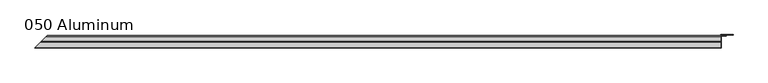
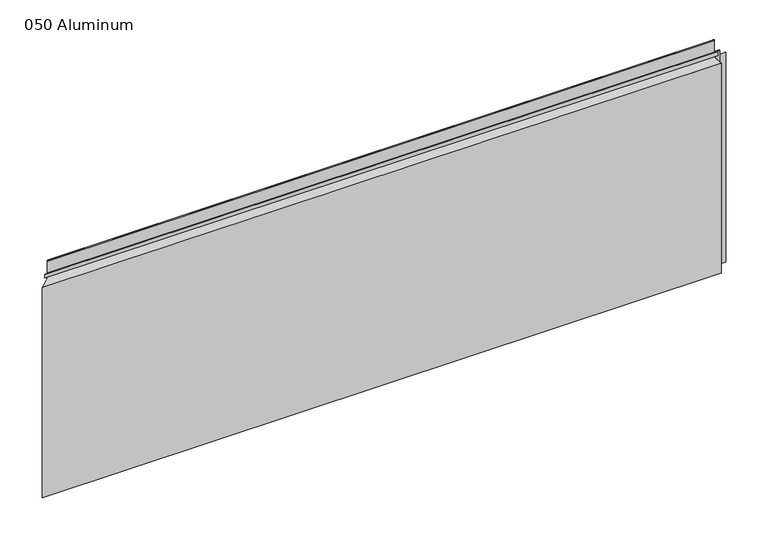
"""IFC4 building model written with IfcOpenShell, lengths in millimetres: plate geometry, 050 Aluminum."""

from ifc_helpers import new_model, si_unit, frame, origin, origin_with_axes, place, context, project, spatial, polyline, circle_curve, ellipse_curve, outline, extrude, source, transform, mapped, element, save
from ifc_brep_helpers import plane_surface, cylinder_surface, revolved_surface, advanced_brep


def plate_050_aluminum_70eb3398(model_context):
    return source(origin(), model_context, "Body", "SolidModel", [
        advanced_brep(
        [(905.5299998, -16.6765477, 13.1458337), (905.5299998, -23.0264743, 13.124237), (905.5299998, -23.0264743, 1.2693678), (905.5299998, -34.7980002, 1.2693678), (905.5299998, -34.7980002, 0.0), (905.5299998, -21.7564743, 0.0), (905.5299998, -21.7564743, 13.124237), (905.5299998, -17.9464915, 13.1323356), (905.5299998, -17.9464915, 2.786437), (905.5299998, -16.6765477, 2.786437), (-936.1765476, -16.6765477, 2.786437), (-936.1765476, -16.6765477, 13.1458337), (-937.4464913, -17.9464915, 2.786437), (-937.4464913, -17.9464915, 13.1323356), (-941.2564741, -21.7564743, 13.124237), (-941.2564741, -21.7564743, 0.0), (-954.2979998, -34.7980002, 0.0), (-954.2979998, -34.7980002, 1.2693678), (-942.5264741, -23.0264743, 1.2693678), (-942.5264741, -23.0264743, 13.124237)],
        [
            (0, 1, circle_curve(frame((905.5299998, -19.8514743, 13.124237), z_axis=(1.0, 0.0, 0.0), x_axis=(0.0, 0.0, -1.0)), 3.175)),
            (1, 2),
            (2, 3),
            (3, 4),
            (4, 5),
            (5, 6),
            (6, 7, circle_curve(frame((905.5299998, -19.8514743, 13.124237), z_axis=(-1.0, 0.0, 0.0), x_axis=(0.0, 0.0, -1.0)), 1.905)),
            (7, 8),
            (8, 9),
            (9, 0),
            (9, 10),
            (10, 11),
            (11, 0),
            (8, 12),
            (12, 10),
            (7, 13),
            (13, 12),
            (6, 14),
            (14, 13, ellipse_curve(frame((-939.3514741, -19.8514743, 13.124237), z_axis=(-0.7071067811865467, 0.7071067811865485, 0.0), x_axis=(0.7071067811865482, 0.7071067811865468, 0.0)), 2.6940768, 1.905)),
            (5, 15),
            (15, 14),
            (4, 16),
            (16, 15),
            (3, 17),
            (17, 16),
            (2, 18),
            (18, 17),
            (1, 19),
            (19, 18),
            (11, 19, ellipse_curve(frame((-939.3514741, -19.8514743, 13.124237), z_axis=(0.7071067811865467, -0.7071067811865485, 0.0), x_axis=(-0.7071067811865482, -0.7071067811865468, 0.0)), 4.4901281, 3.175)),
        ],
        [
            plane_surface(frame((905.5299998, -36.068, 0.0), z_axis=(1.0, 0.0, 0.0), x_axis=(0.0, 0.0, 1.0))),
            plane_surface(frame((-954.2979998, -16.6765477, 13.1458337), z_axis=(0.0, 1.0, 0.0), x_axis=(1.0, 0.0, 0.0))),
            plane_surface(frame((-954.2979998, -16.6765477, 2.786437), z_axis=(0.0, 0.0, -1.0), x_axis=(1.0, 0.0, 0.0))),
            plane_surface(frame((-954.2979998, -17.9464915, 2.786437), z_axis=(0.0, -1.0, 0.0), x_axis=(1.0, 0.0, 0.0))),
            revolved_surface(polyline([(905.5299998000002, -19.8514743, 11.219237000000001), (-941.2564741, -19.8514743, 11.219237000000001)]), (-954.2979998, -19.8514743, 13.124237), (1.0, 0.0, 0.0)),
            plane_surface(frame((-954.2979998, -21.7564743, 13.124237), z_axis=(0.0, 1.0, 0.0), x_axis=(1.0, 0.0, 0.0))),
            plane_surface(frame((-954.2979998, -21.7564743, 0.0), z_axis=(0.0, 0.0, -1.0), x_axis=(1.0, 0.0, 0.0))),
            plane_surface(frame((-954.2979998, -34.7980002, 0.0), z_axis=(0.0, -1.0, 0.0), x_axis=(1.0, 0.0, 0.0))),
            plane_surface(frame((-954.2979998, -34.7980002, 1.2693678), z_axis=(0.0, 0.0, 1.0), x_axis=(1.0, 0.0, 0.0))),
            plane_surface(frame((-954.2979998, -23.0264743, 1.2693678), z_axis=(0.0, -1.0, 0.0), x_axis=(1.0, 0.0, 0.0))),
            cylinder_surface(frame((-954.2979998, -19.8514743, 13.124237), z_axis=(-1.0, 0.0, 0.0), x_axis=(0.0, 0.0, -1.0)), 3.175),
            plane_surface(frame((-955.5679998, -36.068, 795.4549971), z_axis=(-0.7071067811865467, 0.7071067811865485, 0.0), x_axis=(0.0, 0.0, -1.0))),
        ],
        [
            (0, [[1, 2, 3, 4, 5, 6, 7, 8, 9, 10]]),
            (1, [[-10, 11, 12, 13]]),
            (2, [[-9, 14, 15, -11]]),
            (3, [[-8, 16, 17, -14]]),
            (4, [[-7, 18, 19, -16]]),
            (5, [[-6, 20, 21, -18]]),
            (6, [[-5, 22, 23, -20]]),
            (7, [[-4, 24, 25, -22]]),
            (8, [[-3, 26, 27, -24]]),
            (9, [[-2, 28, 29, -26]]),
            (10, [[-1, -13, 30, -28]]),
            (11, [[-12, -15, -17, -19, -21, -23, -25, -27, -29, -30]]),
        ],
    ),
        advanced_brep(
        [(905.5299998, -2.0574743, 656.7932001), (905.5299998, -5.3594742, 656.7932001), (905.5299998, -5.3594742, 623.57), (905.5299998, -19.2164743, 623.57), (905.5299998, -19.2164743, 633.6538), (905.5299998, -20.4864742, 633.6538), (905.5299998, -20.4864742, 622.3), (905.5299998, -4.0894742, 622.3), (905.5299998, -4.0894742, 656.7932001), (905.5299998, -3.3274743, 656.7932001), (905.5299998, -3.3274743, 609.6000001), (905.5299998, -34.7980002, 609.6000001), (905.5299998, -34.7980002, 608.33), (905.5299998, -2.0574743, 608.33), (-921.5574741, -2.0574743, 608.33), (-921.5574741, -2.0574743, 656.7932001), (-954.2979998, -34.7980002, 608.33), (-954.2979998, -34.7980002, 609.6000001), (-922.8274741, -3.3274743, 609.6000001), (-922.8274741, -3.3274743, 656.7932001), (-923.589474, -4.0894742, 656.7932001), (-923.589474, -4.0894742, 622.3), (-939.9864741, -20.4864742, 622.3), (-939.9864741, -20.4864742, 633.6538), (-938.7164742, -19.2164743, 633.6538), (-938.7164742, -19.2164743, 623.57), (-924.859474, -5.3594742, 623.57), (-924.859474, -5.3594742, 656.7932001)],
        [
            (0, 1, circle_curve(frame((905.5299998, -3.7084742, 656.7932001), z_axis=(1.0, 0.0, 0.0), x_axis=(0.0, 0.0, -1.0)), 1.6509999)),
            (1, 2),
            (2, 3),
            (3, 4),
            (4, 5),
            (5, 6),
            (6, 7),
            (7, 8),
            (8, 9, circle_curve(frame((905.5299998, -3.7084742, 656.7932001), z_axis=(-1.0, 0.0, 0.0), x_axis=(0.0, 0.0, -1.0)), 0.3809999)),
            (9, 10),
            (10, 11),
            (11, 12),
            (12, 13),
            (13, 0),
            (13, 14),
            (14, 15),
            (15, 0),
            (12, 16),
            (16, 14),
            (11, 17),
            (17, 16),
            (10, 18),
            (18, 17),
            (9, 19),
            (19, 18),
            (8, 20),
            (20, 19, ellipse_curve(frame((-923.2084741, -3.7084742, 656.7932001), z_axis=(-0.7071067811865467, 0.7071067811865485, 0.0), x_axis=(0.7071067811865482, 0.7071067811865468, 0.0)), 0.5388153, 0.3809999)),
            (7, 21),
            (21, 20),
            (6, 22),
            (22, 21),
            (5, 23),
            (23, 22),
            (4, 24),
            (24, 23),
            (3, 25),
            (25, 24),
            (2, 26),
            (26, 25),
            (1, 27),
            (27, 26),
            (15, 27, ellipse_curve(frame((-923.2084741, -3.7084742, 656.7932001), z_axis=(0.7071067811865467, -0.7071067811865485, 0.0), x_axis=(-0.7071067811865482, -0.7071067811865468, 0.0)), 2.3348665, 1.6509999)),
        ],
        [
            plane_surface(frame((905.5299998, -36.068, 609.6), z_axis=(1.0, 0.0, 0.0), x_axis=(0.0, 0.0, 1.0))),
            plane_surface(frame((-954.2979998, -2.0574743, 656.7932001), z_axis=(0.0, 1.0, 0.0), x_axis=(1.0, 0.0, 0.0))),
            plane_surface(frame((-954.2979998, -2.0574743, 608.33), z_axis=(0.0, 0.0, -1.0), x_axis=(1.0, 0.0, 0.0))),
            plane_surface(frame((-954.2979998, -34.7980002, 608.33), z_axis=(0.0, -1.0, 0.0), x_axis=(1.0, 0.0, 0.0))),
            plane_surface(frame((-954.2979998, -34.7980002, 609.6000001), z_axis=(0.0, 0.0, 1.0), x_axis=(1.0, 0.0, 0.0))),
            plane_surface(frame((-954.2979998, -3.3274743, 609.6000001), z_axis=(0.0, -1.0, 0.0), x_axis=(1.0, 0.0, 0.0))),
            revolved_surface(polyline([(905.5299998000002, -3.7084742, 656.4122002), (-923.589474052437, -3.7084742, 656.4122002)]), (-954.2979998, -3.7084742, 656.7932001), (1.0, 0.0, 0.0)),
            plane_surface(frame((-954.2979998, -4.0894742, 656.7932001), z_axis=(0.0, 1.0, 0.0), x_axis=(1.0, 0.0, 0.0))),
            plane_surface(frame((-954.2979998, -4.0894742, 622.3), z_axis=(0.0, 0.0, -1.0), x_axis=(1.0, 0.0, 0.0))),
            plane_surface(frame((-954.2979998, -20.4864742, 622.3), z_axis=(0.0, -1.0, 0.0), x_axis=(1.0, 0.0, 0.0))),
            plane_surface(frame((-954.2979998, -20.4864742, 633.6538), z_axis=(0.0, 0.0, 1.0), x_axis=(1.0, 0.0, 0.0))),
            plane_surface(frame((-954.2979998, -19.2164743, 633.6538), z_axis=(0.0, 1.0, 0.0), x_axis=(1.0, 0.0, 0.0))),
            plane_surface(frame((-954.2979998, -19.2164743, 623.57), z_axis=(0.0, 0.0, 1.0), x_axis=(1.0, 0.0, 0.0))),
            plane_surface(frame((-954.2979998, -5.3594742, 623.57), z_axis=(0.0, -1.0, 0.0), x_axis=(1.0, 0.0, 0.0))),
            cylinder_surface(frame((-954.2979998, -3.7084742, 656.7932001), z_axis=(-1.0, 0.0, 0.0), x_axis=(0.0, 0.0, -1.0)), 1.6509999),
            plane_surface(frame((-955.5679998, -36.068, 795.4549971), z_axis=(-0.7071067811865467, 0.7071067811865485, 0.0), x_axis=(0.0, 0.0, -1.0))),
        ],
        [
            (0, [[1, 2, 3, 4, 5, 6, 7, 8, 9, 10, 11, 12, 13, 14]]),
            (1, [[-14, 15, 16, 17]]),
            (2, [[-13, 18, 19, -15]]),
            (3, [[-12, 20, 21, -18]]),
            (4, [[-11, 22, 23, -20]]),
            (5, [[-10, 24, 25, -22]]),
            (6, [[-9, 26, 27, -24]]),
            (7, [[-8, 28, 29, -26]]),
            (8, [[-7, 30, 31, -28]]),
            (9, [[-6, 32, 33, -30]]),
            (10, [[-5, 34, 35, -32]]),
            (11, [[-4, 36, 37, -34]]),
            (12, [[-3, 38, 39, -36]]),
            (13, [[-2, 40, 41, -38]]),
            (14, [[-1, -17, 42, -40]]),
            (15, [[-16, -19, -21, -23, -25, -27, -29, -31, -33, -35, -37, -39, -41, -42]]),
        ],
    ),
        extrude(outline(polyline([(906.7999998, -34.7980001), (906.7999998, -36.068), (-955.5679998, -36.068), (-954.2979999, -34.7980001), (906.7999998, -34.7980001)])), origin_with_axes(), (0.0, 0.0, 1.0), 609.6),
        extrude(outline(polyline([(906.7999998, -1.2699999), (906.7999998, -34.7980002), (905.5299999, -34.7980002), (905.5299999, 0.0), (939.3120855, 0.0), (939.3120855, -1.2699999), (906.7999998, -1.2699999)])), origin_with_axes(), (0.0, 0.0, 1.0), 608.33),
        extrude(outline(polyline([(905.5299998, -3.3274743), (905.5299998, -2.0574743), (921.2779998, -2.0574743), (921.2779998, -3.3274743), (905.5299998, -3.3274743)])), origin_with_axes(), (0.0, 0.0, 1.0), 622.3),
    ])


if __name__ == "__main__":
    model = new_model("IFC4")
    model_context = context("Model", 3, world=origin())
    ifc_project = project(units=[si_unit("LENGTHUNIT", "METRE", prefix="MILLI")], contexts=[model_context])
    site = spatial("IfcSite", under=ifc_project)
    building = spatial("IfcBuilding", under=site)
    placement = place(None, origin())
    plate_050_aluminum_shape = plate_050_aluminum_70eb3398(model_context)
    element("IfcPlate", 1, ObjectType="050 Aluminum", at=placement, inside=building, context=model_context, shape_type="MappedRepresentation", body=[
        mapped(plate_050_aluminum_shape, transform((0.0, 0.0, 0.0), x_axis=(1.0, 0.0, 0.0), y_axis=(0.0, 1.0, 0.0), z_axis=(0.0, 0.0, 1.0))),
    ])
    save(model, "model.ifc")
